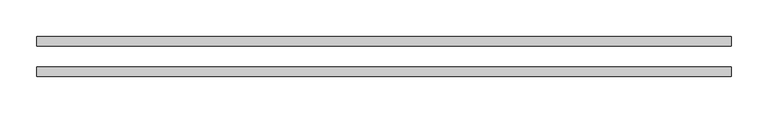
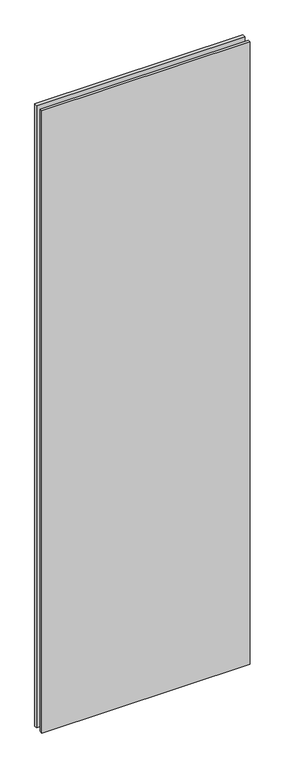
"""IFC4 building model written with IfcOpenShell, lengths in millimetres: plate geometry."""

from ifc_helpers import new_model, si_unit, origin, origin_with_axes, place, context, project, spatial, polyline, outline, extrude, source, transform, mapped, element, save


def plate_c6f63c8c(model_context):
    return source(origin(), model_context, "Body", "SweptSolid", [
        extrude(outline(polyline([(469.9, -26.9875), (-469.9, -26.9875), (-469.9, -14.2875), (469.9, -14.2875), (469.9, -26.9875)])), origin_with_axes(), (0.0, 0.0, 1.0), 2965.45),
        extrude(outline(polyline([(469.9, 26.9875), (469.9, 14.2875), (-469.9, 14.2875), (-469.9, 26.9875), (469.9, 26.9875)])), origin_with_axes(), (0.0, 0.0, 1.0), 2965.45),
    ])


if __name__ == "__main__":
    model = new_model("IFC4")
    model_context = context("Model", 3, world=origin())
    ifc_project = project(units=[si_unit("LENGTHUNIT", "METRE", prefix="MILLI")], contexts=[model_context])
    site = spatial("IfcSite", under=ifc_project)
    building = spatial("IfcBuilding", under=site)
    placement = place(None, origin())
    plate_shape = plate_c6f63c8c(model_context)
    element("IfcPlate", 1, at=placement, inside=building, context=model_context, shape_type="MappedRepresentation", body=[
        mapped(plate_shape, transform((0.0, 0.0, 0.0), x_axis=(1.0, 0.0, 0.0), y_axis=(0.0, 1.0, 0.0), z_axis=(0.0, 0.0, 1.0))),
    ])
    save(model, "model.ifc")
